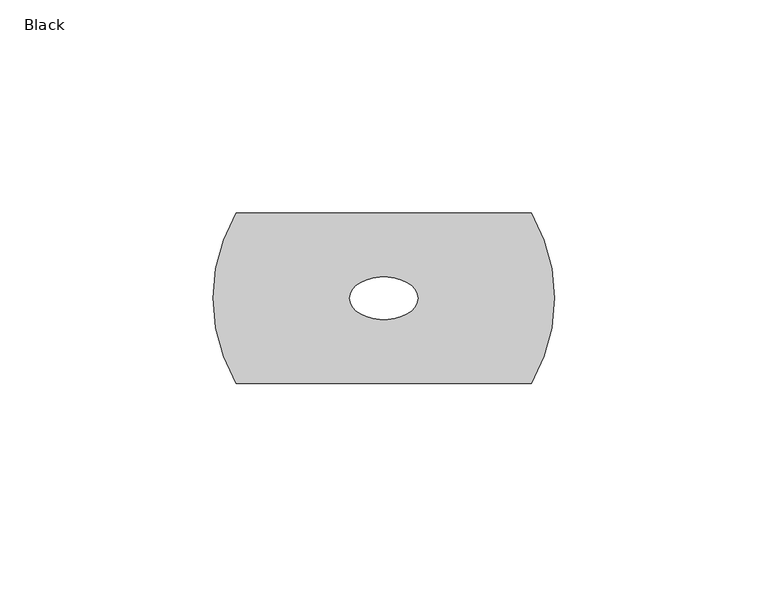
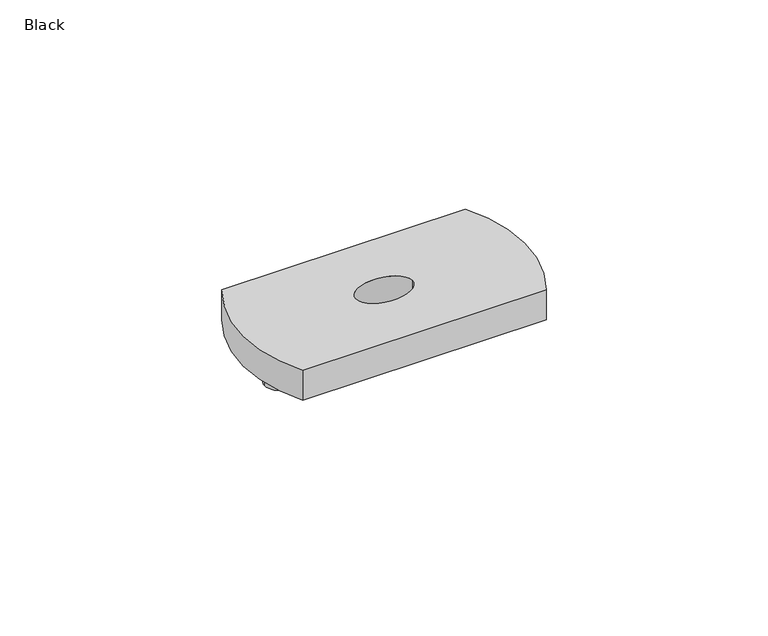
"""IFC4 building model written with IfcOpenShell, lengths in millimetres: proxy geometry, Black."""

import ifcopenshell
import ifcopenshell.guid

model = None  # the IFC model being written
_history = None  # IfcOwnerHistory: only IFC2X3 demands one
_inside = {}  # id of a spatial element -> (the spatial element, [elements in it])
_under = {}  # id of a project, library or spatial element -> (it, [spatial elements below it])
_declared = {}  # id of a project -> (the project, [libraries it declares])
_typed = {}  # id of a type object -> (the type object, [elements of that type])
_made_of = {}  # id of a material, layer set ... -> (it, [elements and type objects made of it])


def new_model(schema):
    """Start an empty IFC model of exactly this schema.

    Asked for "IFC4X3", IfcOpenShell would pick the latest addendum, in which some entities
    have other attributes; the version numbers below select the first issue.
    IFC2X3 requires an IfcOwnerHistory on every rooted entity: one is made here for all.
    """
    global model, _history
    if schema == "IFC4X3":
        model = ifcopenshell.file(schema_version=(4, 3, 0, 0))
    else:
        model = ifcopenshell.file(schema=schema)
    _inside.clear()
    _under.clear()
    _declared.clear()
    _typed.clear()
    _made_of.clear()
    _history = None
    if model.schema == "IFC2X3":
        org = make("IfcOrganization", Name="unknown")
        user = make(
            "IfcPersonAndOrganization",
            ThePerson=make("IfcPerson", FamilyName="unknown"),
            TheOrganization=org,
        )
        app = make(
            "IfcApplication",
            ApplicationDeveloper=org,
            Version="unknown",
            ApplicationFullName="unknown",
            ApplicationIdentifier="unknown",
        )
        _history = make(
            "IfcOwnerHistory",
            OwningUser=user,
            OwningApplication=app,
            ChangeAction="ADDED",
            CreationDate=0,
        )
    return model


def make(cls, **values):
    """One entity of the class cls with the attributes given. An attribute that is None is left unset."""
    return model.create_entity(
        cls, **{name: value for name, value in values.items() if value is not None}
    )


def rooted(cls, **values):
    """An entity with a GlobalId (a new one), such as an element, a storey or a relation."""
    return make(cls, GlobalId=ifcopenshell.guid.new(), OwnerHistory=_history, **values)


def si_unit(unit_type, name, prefix=None):
    """IfcSIUnit, for example si_unit("LENGTHUNIT", "METRE", prefix="MILLI")."""
    return make("IfcSIUnit", UnitType=unit_type, Prefix=prefix, Name=name)


def assignment(units):
    """IfcUnitAssignment: the units of a project."""
    return None if units is None else make("IfcUnitAssignment", Units=units)


def point(xyz):
    """IfcCartesianPoint."""
    return None if xyz is None else make("IfcCartesianPoint", Coordinates=xyz)


def direction(xyz):
    """IfcDirection."""
    return None if xyz is None else make("IfcDirection", DirectionRatios=xyz)


def frame(location, z_axis=None, x_axis=None):
    """IfcAxis2Placement3D, a coordinate frame: its origin and axes. An axis left out is left unset."""
    return make(
        "IfcAxis2Placement3D",
        Location=point(location),
        Axis=direction(z_axis),
        RefDirection=direction(x_axis),
    )


def frame_2d(location, x_axis=None):
    """IfcAxis2Placement2D, a coordinate frame in the plane: its origin and x axis."""
    return make(
        "IfcAxis2Placement2D", Location=point(location), RefDirection=direction(x_axis)
    )


def origin():
    """The frame at (0, 0, 0) with its axes left unset."""
    return frame((0.0, 0.0, 0.0))


def place(relative_to, where):
    """IfcLocalPlacement: puts the frame where relative to a parent placement (None: the world)."""
    return make(
        "IfcLocalPlacement", PlacementRelTo=relative_to, RelativePlacement=where
    )


def context(
    kind, dimensions, precision=None, world=None, true_north=None, identifier=None
):
    """IfcGeometricRepresentationContext, for example the 3D "Model" context."""
    return make(
        "IfcGeometricRepresentationContext",
        ContextIdentifier=identifier,
        ContextType=kind,
        CoordinateSpaceDimension=dimensions,
        Precision=precision,
        WorldCoordinateSystem=world,
        TrueNorth=true_north,
    )


def project(units=None, contexts=None):
    """IfcProject with its units and contexts."""
    return rooted(
        "IfcProject",
        Name="project",
        RepresentationContexts=contexts,
        UnitsInContext=assignment(units),
    )


def spatial(cls, under=None, at=None, **own):
    """A site, building, storey or space (cls), placed at a placement, below another one or the project."""
    s = rooted(cls, ObjectPlacement=at, **own)
    if under is not None:
        _under.setdefault(under.id(), (under, []))[1].append(s)
    return s


def circle_curve(where, radius):
    """IfcCircle in the frame where."""
    return make("IfcCircle", Position=where, Radius=radius)


def ellipse_curve(where, semi_axis1, semi_axis2):
    """IfcEllipse in the frame where."""
    return make(
        "IfcEllipse", Position=where, SemiAxis1=semi_axis1, SemiAxis2=semi_axis2
    )


def trimmed(basis, trim1, trim2, sense, master):
    """IfcTrimmedCurve: the piece of a basis curve between two trims."""
    return make(
        "IfcTrimmedCurve",
        BasisCurve=basis,
        Trim1=trim1,
        Trim2=trim2,
        SenseAgreement=sense,
        MasterRepresentation=master,
    )


def segment(curve, same_sense, transition):
    """IfcCompositeCurveSegment."""
    return make(
        "IfcCompositeCurveSegment",
        Transition=transition,
        SameSense=same_sense,
        ParentCurve=curve,
    )


def composite_curve(segments, self_intersect=None):
    """IfcCompositeCurve: segments joined end to end."""
    return make("IfcCompositeCurve", Segments=segments, SelfIntersect=self_intersect)


def outline(outer, holes=None, kind="AREA"):
    """IfcArbitraryClosedProfileDef: a profile drawn as a closed curve; with holes, ...WithVoids."""
    if holes is None:
        return make("IfcArbitraryClosedProfileDef", ProfileType=kind, OuterCurve=outer)
    return make(
        "IfcArbitraryProfileDefWithVoids",
        ProfileType=kind,
        OuterCurve=outer,
        InnerCurves=holes,
    )


def extrude(swept, where, along, depth):
    """IfcExtrudedAreaSolid: the profile swept, set in the frame where, extruded along a direction by depth."""
    return make(
        "IfcExtrudedAreaSolid",
        SweptArea=swept,
        Position=where,
        ExtrudedDirection=direction(along),
        Depth=depth,
    )


def shape(context_of_items, identifier, shape_type, items):
    """IfcShapeRepresentation: the items that make up one representation, for example the "Body"."""
    return make(
        "IfcShapeRepresentation",
        ContextOfItems=context_of_items,
        RepresentationIdentifier=identifier,
        RepresentationType=shape_type,
        Items=items,
    )


def source(mapping_origin, context_of_items, identifier, shape_type, items):
    """IfcRepresentationMap: a shape defined once, which mapped items show again and again."""
    return make(
        "IfcRepresentationMap",
        MappingOrigin=mapping_origin,
        MappedRepresentation=shape(context_of_items, identifier, shape_type, items),
    )


def transform(
    local_origin,
    x_axis=None,
    y_axis=None,
    z_axis=None,
    scale=None,
    scale2=None,
    scale3=None,
    uniform=True,
):
    """IfcCartesianTransformationOperator3D, or its non-uniform kind. x_axis, y_axis, z_axis: its Axis1, 2, 3."""
    if uniform:
        return make(
            "IfcCartesianTransformationOperator3D",
            Axis1=direction(x_axis),
            Axis2=direction(y_axis),
            LocalOrigin=point(local_origin),
            Scale=scale,
            Axis3=direction(z_axis),
        )
    return make(
        "IfcCartesianTransformationOperator3DnonUniform",
        Axis1=direction(x_axis),
        Axis2=direction(y_axis),
        LocalOrigin=point(local_origin),
        Scale=scale,
        Axis3=direction(z_axis),
        Scale2=scale2,
        Scale3=scale3,
    )


def mapped(mapping_source, mapping_target):
    """IfcMappedItem: shows the shape of a source again, moved by a transform."""
    return make(
        "IfcMappedItem", MappingSource=mapping_source, MappingTarget=mapping_target
    )


def made_of(thing, what):
    """Note that an element or type object is made of a material, layer set ...; save() writes the relation."""
    if what is not None:
        _made_of.setdefault(what.id(), (what, []))[1].append(thing)
    return thing


def element(
    cls,
    number,
    at=None,
    inside=None,
    cuts=None,
    type_object=None,
    material=None,
    context=None,
    identifier="Body",
    shape_type=None,
    held_by="IfcProductDefinitionShape",
    body=None,
    shapes=None,
    **own,
):
    """One element of the class cls, such as IfcWall. Its Tag is "e" and its number.

    at: its placement. inside: the storey or other place that contains it. cuts: it is an
    opening in that element (IfcRelVoidsElement). A single representation is given by context,
    identifier, shape_type and body (its items); several are given by shapes. held_by: the class
    of the entity that holds the representations. save() writes the other relations.
    """
    e = rooted(cls, Tag="e%d" % number, ObjectPlacement=at, **own)
    if body is not None:
        shapes = [shape(context, identifier, shape_type, body)]
    if shapes is not None:
        e.Representation = make(held_by, Representations=shapes)
    if inside is not None:
        _inside.setdefault(inside.id(), (inside, []))[1].append(e)
    if cuts is not None:
        rooted(
            "IfcRelVoidsElement", RelatingBuildingElement=cuts, RelatedOpeningElement=e
        )
    if type_object is not None:
        _typed.setdefault(type_object.id(), (type_object, []))[1].append(e)
    return made_of(e, material)


def aggregate(whole, parts):
    """IfcRelAggregates: a whole, such as a stair, and the parts it consists of."""
    return rooted("IfcRelAggregates", RelatingObject=whole, RelatedObjects=parts)


def save(model, path):
    """Write the relations noted so far, then the file.

    IfcRelAggregates (storeys below a building ...), IfcRelContainedInSpatialStructure (elements
    in a storey), IfcRelDefinesByType, IfcRelAssociatesMaterial and IfcRelDeclares: one each for
    every whole, place, type object, material and project.
    """
    for whole, parts in _under.values():
        aggregate(whole, parts)
    for where, things in _inside.values():
        rooted(
            "IfcRelContainedInSpatialStructure",
            RelatedElements=things,
            RelatingStructure=where,
        )
    for kind, things in _typed.values():
        rooted("IfcRelDefinesByType", RelatedObjects=things, RelatingType=kind)
    for what, things in _made_of.values():
        rooted("IfcRelAssociatesMaterial", RelatedObjects=things, RelatingMaterial=what)
    for by, libraries in _declared.values():
        rooted("IfcRelDeclares", RelatingContext=by, RelatedDefinitions=libraries)
    model.write(path)


def plane_surface(at):
    """IfcPlane: the flat surface through the origin of the frame at, square to its z axis."""
    return make("IfcPlane", Position=at)


def cylinder_surface(at, radius):
    """IfcCylindricalSurface: all points at the distance radius from the z axis of the frame at."""
    return make("IfcCylindricalSurface", Position=at, Radius=radius)


def extruded_surface(curve, direction_of_extrusion, depth):
    """IfcSurfaceOfLinearExtrusion: the curve pushed along a direction by depth."""
    return make(
        "IfcSurfaceOfLinearExtrusion",
        SweptCurve=make("IfcArbitraryOpenProfileDef", ProfileType="CURVE", Curve=curve),
        ExtrudedDirection=direction(direction_of_extrusion),
        Depth=depth,
    )


def advanced_brep(points, edges, surfaces, faces):
    """IfcAdvancedBrep: a solid bounded by faces that lie on surfaces and meet in shared edges.

    An edge is (start, end): straight between two places in points (the first is 0);
    or (start, end, curve); or (start, end, curve, False) where it runs against its curve.
    A face is (place in surfaces, loops), or (place, loops, False) where it looks against
    its surface's normal. A loop lists edges by number (the first is 1), with a minus sign
    where the edge is run from its end to its start. The first loop is the outer one.
    """
    corners = [point(p) for p in points]
    vertices = [make("IfcVertexPoint", VertexGeometry=c) for c in corners]
    made = []
    for start, end, *more in edges:
        made.append(
            make(
                "IfcEdgeCurve",
                EdgeStart=vertices[start],
                EdgeEnd=vertices[end],
                EdgeGeometry=more[0] if more else make("IfcPolyline", Points=[corners[start], corners[end]]),
                SameSense=more[1] if len(more) > 1 else True,
            )
        )
    hull = []
    for where, loops, *sense in faces:
        bounds = []
        for j, loop in enumerate(loops):
            ring = [make("IfcOrientedEdge", EdgeElement=made[abs(k) - 1], Orientation=k > 0) for k in loop]
            bounds.append(
                make(
                    "IfcFaceOuterBound" if j == 0 else "IfcFaceBound",
                    Bound=make("IfcEdgeLoop", EdgeList=ring),
                    Orientation=True,
                )
            )
        hull.append(make("IfcAdvancedFace", Bounds=bounds, FaceSurface=surfaces[where], SameSense=sense[0] if sense else True))
    return make("IfcAdvancedBrep", Outer=make("IfcClosedShell", CfsFaces=hull))


def black_fc2e463e(model_context):
    return source(origin(), model_context, "Body", "SolidModel", [
        advanced_brep(
        [(34.6410162, -20.0, 9.0), (34.6410162, 20.0, 9.0), (-34.6410162, 20.0, 9.0), (-34.6410162, -20.0, 9.0), (-8.0, 0.0, 9.0), (8.0, 0.0, 9.0), (34.6410162, -20.0, 0.0), (-34.6410162, -20.0, 0.0), (-34.6410162, 20.0, 0.0), (34.6410162, 20.0, 0.0), (8.0, 0.0, 0.0), (-8.0, 0.0, 0.0)],
        [
            (0, 1, circle_curve(frame((0.3744648, 0.0, 9.0), z_axis=(0.0, 0.0, 1.0), x_axis=(1.0, 0.0, 0.0)), 39.6761458)),
            (1, 2),
            (2, 3, circle_curve(frame((-0.3744648, 0.0, 9.0), z_axis=(0.0, 0.0, 1.0), x_axis=(1.0, 0.0, 0.0)), 39.6761458)),
            (3, 0),
            (4, 5, ellipse_curve(frame((0.0, 0.0, 9.0), z_axis=(0.0, 0.0, -1.0), x_axis=(-1.0, 0.0, 0.0)), 8.0, 5.0)),
            (5, 4, ellipse_curve(frame((0.0, 0.0, 9.0), z_axis=(0.0, 0.0, -1.0), x_axis=(-1.0, 0.0, 0.0)), 8.0, 5.0)),
            (6, 7),
            (7, 8, circle_curve(frame((-0.3744648, 0.0, 0.0), z_axis=(0.0, 0.0, -1.0), x_axis=(1.0, 0.0, 0.0)), 39.6761458)),
            (8, 9),
            (9, 6, circle_curve(frame((0.3744648, 0.0, 0.0), z_axis=(0.0, 0.0, -1.0), x_axis=(1.0, 0.0, 0.0)), 39.6761458)),
            (10, 11, ellipse_curve(frame((0.0, 0.0, 0.0), z_axis=(0.0, 0.0, 1.0), x_axis=(-1.0, 0.0, 0.0)), 8.0, 5.0)),
            (11, 10, ellipse_curve(frame((0.0, 0.0, 0.0), z_axis=(0.0, 0.0, 1.0), x_axis=(-1.0, 0.0, 0.0)), 8.0, 5.0)),
            (0, 6),
            (9, 1),
            (8, 2),
            (7, 3),
            (4, 11),
            (10, 5),
        ],
        [
            plane_surface(frame((40.0506105, 0.0, 9.0), z_axis=(0.0, 0.0, 1.0), x_axis=(0.0, 1.0, 0.0))),
            plane_surface(frame((40.0506105, 0.0, 0.0), z_axis=(0.0, 0.0, -1.0), x_axis=(0.0, -1.0, 0.0))),
            cylinder_surface(frame((0.3744648, 0.0, 0.0), z_axis=(0.0, 0.0, 1.0), x_axis=(1.0, 0.0, 0.0)), 39.6761458),
            plane_surface(frame((34.6410162, 20.0, 9.0), z_axis=(0.0, 1.0, 0.0), x_axis=(0.0, 0.0, -1.0))),
            cylinder_surface(frame((-0.3744648, 0.0, 0.0), z_axis=(0.0, 0.0, 1.0), x_axis=(1.0, 0.0, 0.0)), 39.6761458),
            plane_surface(frame((-34.6410162, -20.0, 9.0), z_axis=(0.0, -1.0, 0.0), x_axis=(0.0, 0.0, -1.0))),
            extruded_surface(trimmed(ellipse_curve(frame((0.0, 0.0, 0.0), z_axis=(0.0, 0.0, 1.0), x_axis=(-1.0, 0.0, 0.0)), 8.0, 5.0), [point((8.0, 0.0, 0.0))], [point((-8.0, 0.0, 0.0))], True, "CARTESIAN"), (0.0, 0.0, -9.0), 9.0),
            extruded_surface(trimmed(ellipse_curve(frame((0.0, 0.0, 0.0), z_axis=(0.0, 0.0, 1.0), x_axis=(-1.0, 0.0, 0.0)), 8.0, 5.0), [point((-8.0, 0.0, 0.0))], [point((8.0, 0.0, 0.0))], True, "CARTESIAN"), (0.0, 0.0, -9.0), 9.0),
        ],
        [
            (0, [[1, 2, 3, 4], [5, 6]]),
            (1, [[7, 8, 9, 10], [11, 12]]),
            (2, [[-1, 13, -10, 14]]),
            (3, [[-2, -14, -9, 15]]),
            (4, [[-3, -15, -8, 16]]),
            (5, [[-4, -16, -7, -13]]),
            (6, [[17, -11, 18, -5]]),
            (7, [[-17, -6, -18, -12]]),
        ],
    ),
        extrude(outline(composite_curve([segment(trimmed(circle_curve(frame_2d((-30.0, 0.0)), 4.0), [point((-34.0, 0.0))], [point((-26.0, 0.0))], False, "CARTESIAN"), True, "CONTINUOUS"), segment(trimmed(circle_curve(frame_2d((-30.0, 0.0)), 4.0), [point((-26.0, 0.0))], [point((-34.0, 0.0))], False, "CARTESIAN"), True, "CONTINUOUS")], self_intersect=False)), frame((0.0, 0.0, -8.0), z_axis=(0.0, 0.0, 1.0), x_axis=(1.0, 0.0, 0.0)), (0.0, 0.0, 1.0), 8.0),
        extrude(outline(composite_curve([segment(trimmed(circle_curve(frame_2d((30.0, 0.0)), 4.0), [point((26.0, 0.0))], [point((34.0, 0.0))], False, "CARTESIAN"), True, "CONTINUOUS"), segment(trimmed(circle_curve(frame_2d((30.0, 0.0)), 4.0), [point((34.0, 0.0))], [point((26.0, 0.0))], False, "CARTESIAN"), True, "CONTINUOUS")], self_intersect=False)), frame((0.0, 0.0, -8.0), z_axis=(0.0, 0.0, 1.0), x_axis=(1.0, 0.0, 0.0)), (0.0, 0.0, 1.0), 8.0),
    ])


if __name__ == "__main__":
    model = new_model("IFC4")
    model_context = context("Model", 3, world=origin())
    ifc_project = project(units=[si_unit("LENGTHUNIT", "METRE", prefix="MILLI")], contexts=[model_context])
    site = spatial("IfcSite", under=ifc_project)
    building = spatial("IfcBuilding", under=site)
    placement = place(None, origin())
    black_shape = black_fc2e463e(model_context)
    element("IfcBuildingElementProxy", 1, Name="Black", ObjectType="Black", at=placement, inside=building, context=model_context, shape_type="MappedRepresentation", body=[
        mapped(black_shape, transform((0.0, 0.0, 0.0), x_axis=(1.0, 0.0, 0.0), y_axis=(0.0, 1.0, 0.0), z_axis=(0.0, 0.0, 1.0))),
    ])
    save(model, "model.ifc")
